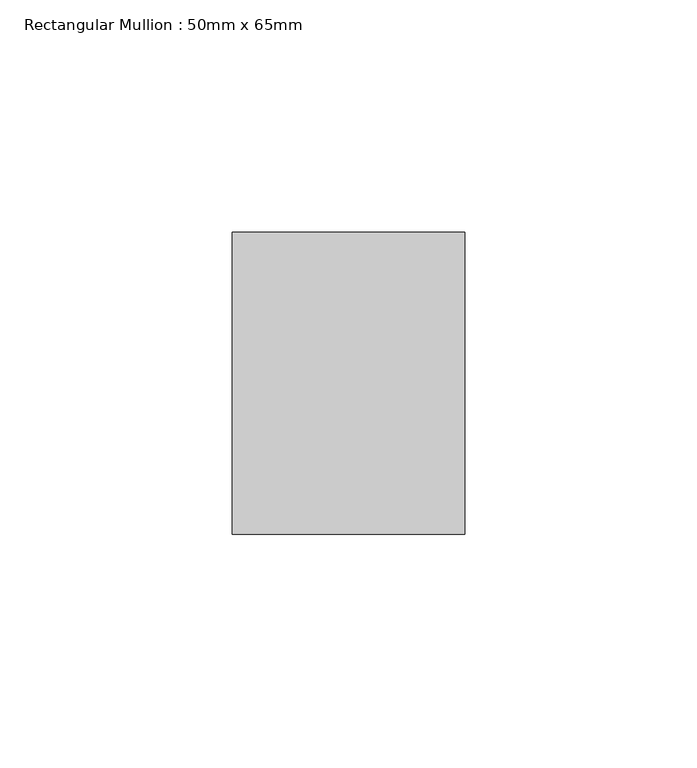
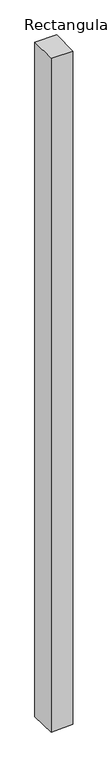
"""IFC4 building model written with IfcOpenShell, lengths in millimetres: member geometry, Rectangular Mullion : 50mm x 65mm."""

from ifc_helpers import new_model, si_unit, origin, place, context, project, spatial, faceted_brep, source, transform, mapped, element, save


def rectangular_mullion_50mm_x_65mm_bd564319(model_context):
    return source(origin(), model_context, "Body", "Brep", [
        faceted_brep([(25.0, 32.5, 0.0), (-25.0, 32.5, 0.0), (-25.0, -32.5, 0.0), (25.0, -32.5, 0.0), (25.0, 32.5, -1637.9285139), (-25.0, 32.5, -1640.1287579), (-25.0, -32.5, -1637.9996755), (25.0, -32.5, -1635.7994315)], [[[0, 1, 2, 3]], [[1, 0, 4, 5]], [[2, 1, 5, 6]], [[3, 2, 6, 7]], [[0, 3, 7, 4]], [[4, 7, 6, 5]]]),
    ])


if __name__ == "__main__":
    model = new_model("IFC4")
    model_context = context("Model", 3, world=origin())
    ifc_project = project(units=[si_unit("LENGTHUNIT", "METRE", prefix="MILLI")], contexts=[model_context])
    site = spatial("IfcSite", under=ifc_project)
    building = spatial("IfcBuilding", under=site)
    placement = place(None, origin())
    rectangular_mullion_50mm_x_65mm_shape = rectangular_mullion_50mm_x_65mm_bd564319(model_context)
    element("IfcMember", 1, ObjectType="Rectangular Mullion : 50mm x 65mm", at=placement, inside=building, context=model_context, shape_type="MappedRepresentation", body=[
        mapped(rectangular_mullion_50mm_x_65mm_shape, transform((0.0, 0.0, 0.0), x_axis=(1.0, 0.0, 0.0), y_axis=(0.0, 1.0, 0.0), z_axis=(0.0, 0.0, 1.0))),
    ])
    save(model, "model.ifc")
